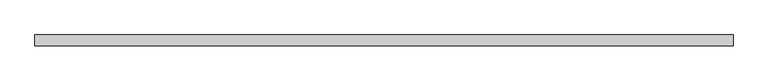
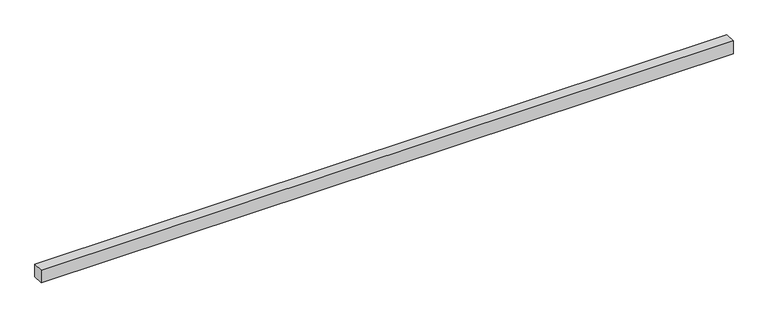
"""IFC4 building model written with IfcOpenShell, lengths in millimetres: proxy geometry."""

from ifc_helpers import new_model, si_unit, origin, origin_with_axes, place, context, project, spatial, polyline, outline, extrude, source, transform, mapped, element, save


def generic_models_8dc2804a(model_context):
    return source(origin(), model_context, "Body", "SweptSolid", [
        extrude(outline(polyline([(5221.6233816, -40.0), (0.0, -40.0), (0.0, 40.0), (5221.6233816, 40.0), (5221.6233816, -40.0)])), origin_with_axes(), (0.0, 0.0, 1.0), 100.0),
    ])


if __name__ == "__main__":
    model = new_model("IFC4")
    model_context = context("Model", 3, world=origin())
    ifc_project = project(units=[si_unit("LENGTHUNIT", "METRE", prefix="MILLI")], contexts=[model_context])
    site = spatial("IfcSite", under=ifc_project)
    building = spatial("IfcBuilding", under=site)
    placement = place(None, origin())
    generic_models_shape = generic_models_8dc2804a(model_context)
    element("IfcBuildingElementProxy", 1, Name="Generic Models", at=placement, inside=building, context=model_context, shape_type="MappedRepresentation", body=[
        mapped(generic_models_shape, transform((0.0, 0.0, 0.0), x_axis=(1.0, 0.0, 0.0), y_axis=(0.0, 1.0, 0.0), z_axis=(0.0, 0.0, 1.0))),
    ])
    save(model, "model.ifc")
